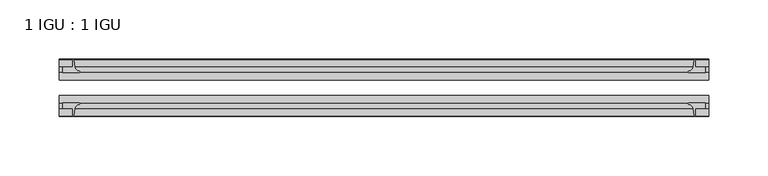
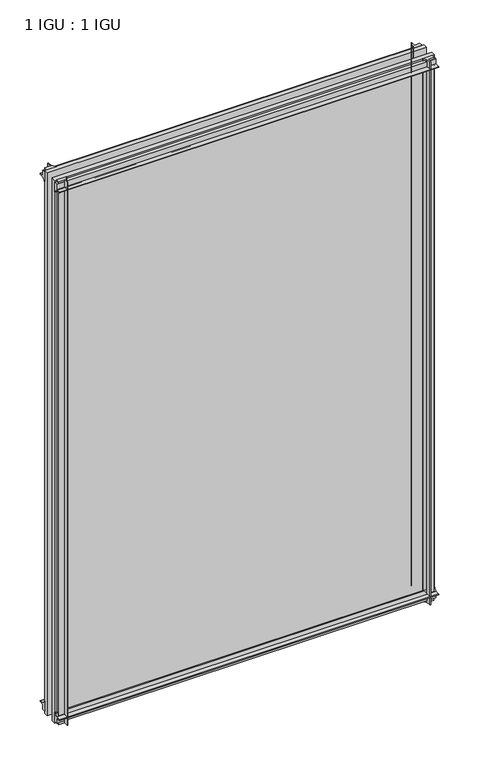
"""IFC4 building model written with IfcOpenShell, lengths in millimetres: plate geometry, 1 IGU : 1 IGU."""

from ifc_helpers import new_model, si_unit, point, frame, frame_2d, origin, place, context, project, spatial, polyline, circle_curve, trimmed, segment, composite_curve, outline, extrude, source, transform, mapped, element, save


def plate_1_igu_1_igu_ee33b061(model_context):
    return source(origin(), model_context, "Body", "SweptSolid", [
        extrude(outline(composite_curve([segment(polyline([(-42.3267187, -8.2068385), (-47.0892187, -8.2068385), (-47.0892187, 0.0), (-53.563779, 0.0)]), True, "CONTINUOUS"), segment(trimmed(circle_curve(frame_2d((-53.0328134, 0.3482823)), 0.635), [point((-53.563779, 0.0))], [point((-53.0575397, 0.9828007))], False, "CARTESIAN"), True, "CONTINUOUS"), segment(trimmed(circle_curve(frame_2d((-54.2310045, 31.0958559)), 30.1359106), [point((-53.0575397, 0.9828007))], [point((-47.0834032, 1.8198434))], True, "CARTESIAN"), True, "CONTINUOUS"), segment(trimmed(circle_curve(frame_2d((-48.2159797, 6.4587878)), 4.7752), [point((-47.0834032, 1.8198434))], [point((-43.578416, 5.3205707))], True, "CARTESIAN"), True, "CONTINUOUS"), segment(trimmed(circle_curve(frame_2d((-42.9617187, 5.169212)), 0.635), [point((-43.578416, 5.3205707))], [point((-42.3267187, 5.169212))], False, "CARTESIAN"), True, "CONTINUOUS"), segment(polyline([(-42.3267187, 5.169212), (-42.3267187, -8.2068385)]), True, "CONTINUOUS")], self_intersect=False)), frame((-273.05, 0.0, 0.0), z_axis=(1.0, 0.0, 0.0), x_axis=(0.0, 1.0, 0.0)), (0.0, 0.0, 1.0), 546.1),
        extrude(outline(composite_curve([segment(polyline([(-16.9267187, -8.2068385), (-16.9267187, 5.169212)]), True, "CONTINUOUS"), segment(trimmed(circle_curve(frame_2d((-16.2917187, 5.169212)), 0.635), [point((-16.9267187, 5.169212))], [point((-15.6750215, 5.3205707))], False, "CARTESIAN"), True, "CONTINUOUS"), segment(trimmed(circle_curve(frame_2d((-11.0374578, 6.4587878)), 4.7752), [point((-15.6750215, 5.3205707))], [point((-12.1700343, 1.8198434))], True, "CARTESIAN"), True, "CONTINUOUS"), segment(trimmed(circle_curve(frame_2d((-5.022433, 31.0958559)), 30.1359106), [point((-12.1700343, 1.8198434))], [point((-6.1958978, 0.9828007))], True, "CARTESIAN"), True, "CONTINUOUS"), segment(trimmed(circle_curve(frame_2d((-6.2206241, 0.3482823)), 0.635), [point((-6.1958978, 0.9828007))], [point((-5.6896585, 0.0))], False, "CARTESIAN"), True, "CONTINUOUS"), segment(polyline([(-5.6896585, 0.0), (-12.1642187, 0.0), (-12.1642187, -8.2068385), (-16.9267187, -8.2068385)]), True, "CONTINUOUS")], self_intersect=False)), frame((-273.05, 0.0, 0.0), z_axis=(1.0, 0.0, 0.0), x_axis=(0.0, 1.0, 0.0)), (0.0, 0.0, 1.0), 546.1),
        extrude(outline(composite_curve([segment(polyline([(-47.0892188, 803.275), (-47.0892188, 811.4818385), (-42.3267188, 811.4818385), (-42.3267188, 798.105788)]), True, "CONTINUOUS"), segment(trimmed(circle_curve(frame_2d((-42.9617187, 798.105788)), 0.635), [point((-42.3267188, 798.105788))], [point((-43.578416, 797.9544293))], False, "CARTESIAN"), True, "CONTINUOUS"), segment(trimmed(circle_curve(frame_2d((-48.2159797, 796.8162122)), 4.7752), [point((-43.578416, 797.9544293))], [point((-47.0834032, 801.4551566))], True, "CARTESIAN"), True, "CONTINUOUS"), segment(trimmed(circle_curve(frame_2d((-54.2310045, 772.1791441)), 30.1359106), [point((-47.0834032, 801.4551566))], [point((-53.0575397, 802.2921993))], True, "CARTESIAN"), True, "CONTINUOUS"), segment(trimmed(circle_curve(frame_2d((-53.0328134, 802.9267177)), 0.635), [point((-53.0575397, 802.2921993))], [point((-53.563779, 803.275))], False, "CARTESIAN"), True, "CONTINUOUS"), segment(polyline([(-53.563779, 803.275), (-47.0892188, 803.275)]), True, "CONTINUOUS")], self_intersect=False)), frame((-273.05, 0.0, 0.0), z_axis=(1.0, 0.0, 0.0), x_axis=(0.0, 1.0, 0.0)), (0.0, 0.0, 1.0), 546.1),
        extrude(outline(composite_curve([segment(polyline([(-12.1642187, 803.275), (-5.6896585, 803.275)]), True, "CONTINUOUS"), segment(trimmed(circle_curve(frame_2d((-6.2206241, 802.9267177)), 0.635), [point((-5.6896585, 803.275))], [point((-6.1958978, 802.2921993))], False, "CARTESIAN"), True, "CONTINUOUS"), segment(trimmed(circle_curve(frame_2d((-5.022433, 772.1791441)), 30.1359106), [point((-6.1958978, 802.2921993))], [point((-12.1700343, 801.4551566))], True, "CARTESIAN"), True, "CONTINUOUS"), segment(trimmed(circle_curve(frame_2d((-11.0374578, 796.8162122)), 4.7752), [point((-12.1700343, 801.4551566))], [point((-15.6750215, 797.9544293))], True, "CARTESIAN"), True, "CONTINUOUS"), segment(trimmed(circle_curve(frame_2d((-16.2917188, 798.105788)), 0.635), [point((-15.6750215, 797.9544293))], [point((-16.9267188, 798.105788))], False, "CARTESIAN"), True, "CONTINUOUS"), segment(polyline([(-16.9267188, 798.105788), (-16.9267187, 811.4818385), (-12.1642187, 811.4818385), (-12.1642187, 803.275)]), True, "CONTINUOUS")], self_intersect=False)), frame((-273.05, 0.0, 0.0), z_axis=(1.0, 0.0, 0.0), x_axis=(0.0, 1.0, 0.0)), (0.0, 0.0, 1.0), 546.1),
        extrude(outline(composite_curve([segment(polyline([(261.9375, -5.6896585), (261.9375, -12.1642188), (270.1443385, -12.1642188), (270.1443385, -16.9267187), (256.768288, -16.9267187)]), True, "CONTINUOUS"), segment(trimmed(circle_curve(frame_2d((256.768288, -16.2917188)), 0.635), [point((256.768288, -16.9267187))], [point((256.6169293, -15.6750215))], False, "CARTESIAN"), True, "CONTINUOUS"), segment(trimmed(circle_curve(frame_2d((255.4787122, -11.0374578)), 4.7752), [point((256.6169293, -15.6750215))], [point((260.1176566, -12.1700343))], True, "CARTESIAN"), True, "CONTINUOUS"), segment(trimmed(circle_curve(frame_2d((230.8416441, -5.022433)), 30.1359106), [point((260.1176566, -12.1700343))], [point((260.9546993, -6.1958978))], True, "CARTESIAN"), True, "CONTINUOUS"), segment(trimmed(circle_curve(frame_2d((261.5892177, -6.2206241)), 0.635), [point((260.9546993, -6.1958978))], [point((261.9375, -5.6896585))], False, "CARTESIAN"), True, "CONTINUOUS")], self_intersect=False)), frame((0.0, 0.0, -11.1125), z_axis=(0.0, 0.0, 1.0), x_axis=(1.0, 0.0, 0.0)), (0.0, 0.0, 1.0), 825.5),
        extrude(outline(composite_curve([segment(trimmed(circle_curve(frame_2d((261.5892177, -53.0328134)), 0.635), [point((261.9375, -53.563779))], [point((260.9546993, -53.0575397))], False, "CARTESIAN"), True, "CONTINUOUS"), segment(trimmed(circle_curve(frame_2d((230.8416441, -54.2310045)), 30.1359106), [point((260.9546993, -53.0575397))], [point((260.1176566, -47.0834032))], True, "CARTESIAN"), True, "CONTINUOUS"), segment(trimmed(circle_curve(frame_2d((255.4787122, -48.2159797)), 4.7752), [point((260.1176566, -47.0834032))], [point((256.6169293, -43.578416))], True, "CARTESIAN"), True, "CONTINUOUS"), segment(trimmed(circle_curve(frame_2d((256.768288, -42.9617187)), 0.635), [point((256.6169293, -43.578416))], [point((256.768288, -42.3267187))], False, "CARTESIAN"), True, "CONTINUOUS"), segment(polyline([(256.768288, -42.3267187), (270.1443385, -42.3267187), (270.1443385, -47.0892188), (261.9375, -47.0892188), (261.9375, -53.563779)]), True, "CONTINUOUS")], self_intersect=False)), frame((0.0, 0.0, -11.1125), z_axis=(0.0, 0.0, 1.0), x_axis=(1.0, 0.0, 0.0)), (0.0, 0.0, 1.0), 825.5),
        extrude(outline(composite_curve([segment(trimmed(circle_curve(frame_2d((-261.5892177, -6.2206241)), 0.635), [point((-261.9375, -5.6896585))], [point((-260.9546993, -6.1958978))], False, "CARTESIAN"), True, "CONTINUOUS"), segment(trimmed(circle_curve(frame_2d((-230.8416441, -5.022433)), 30.1359106), [point((-260.9546993, -6.1958978))], [point((-260.1176566, -12.1700343))], True, "CARTESIAN"), True, "CONTINUOUS"), segment(trimmed(circle_curve(frame_2d((-255.4787122, -11.0374578)), 4.7752), [point((-260.1176566, -12.1700343))], [point((-256.6169293, -15.6750215))], True, "CARTESIAN"), True, "CONTINUOUS"), segment(trimmed(circle_curve(frame_2d((-256.768288, -16.2917187)), 0.635), [point((-256.6169293, -15.6750215))], [point((-256.768288, -16.9267187))], False, "CARTESIAN"), True, "CONTINUOUS"), segment(polyline([(-256.768288, -16.9267187), (-270.1443385, -16.9267187), (-270.1443385, -12.1642187), (-261.9375, -12.1642187), (-261.9375, -5.6896585)]), True, "CONTINUOUS")], self_intersect=False)), frame((0.0, 0.0, -11.1125), z_axis=(0.0, 0.0, 1.0), x_axis=(1.0, 0.0, 0.0)), (0.0, 0.0, 1.0), 825.5),
        extrude(outline(composite_curve([segment(polyline([(-261.9375, -53.563779), (-261.9375, -47.0892187), (-270.1443385, -47.0892187), (-270.1443385, -42.3267188), (-256.768288, -42.3267188)]), True, "CONTINUOUS"), segment(trimmed(circle_curve(frame_2d((-256.768288, -42.9617187)), 0.635), [point((-256.768288, -42.3267188))], [point((-256.6169293, -43.578416))], False, "CARTESIAN"), True, "CONTINUOUS"), segment(trimmed(circle_curve(frame_2d((-255.4787122, -48.2159797)), 4.7752), [point((-256.6169293, -43.578416))], [point((-260.1176566, -47.0834032))], True, "CARTESIAN"), True, "CONTINUOUS"), segment(trimmed(circle_curve(frame_2d((-230.8416441, -54.2310045)), 30.1359106), [point((-260.1176566, -47.0834032))], [point((-260.9546993, -53.0575397))], True, "CARTESIAN"), True, "CONTINUOUS"), segment(trimmed(circle_curve(frame_2d((-261.5892177, -53.0328134)), 0.635), [point((-260.9546993, -53.0575397))], [point((-261.9375, -53.563779))], False, "CARTESIAN"), True, "CONTINUOUS")], self_intersect=False)), frame((0.0, 0.0, -11.1125), z_axis=(0.0, 0.0, 1.0), x_axis=(1.0, 0.0, 0.0)), (0.0, 0.0, 1.0), 825.5),
        extrude(outline(polyline([(273.05, -16.9267187), (273.05, -23.2259187), (-273.05, -23.2259187), (-273.05, -16.9267187), (273.05, -16.9267187)])), frame((0.0, 0.0, -11.1125), z_axis=(0.0, 0.0, 1.0), x_axis=(1.0, 0.0, 0.0)), (0.0, 0.0, 1.0), 825.5),
        extrude(outline(polyline([(273.05, -36.0275187), (273.05, -42.3267187), (-273.05, -42.3267187), (-273.05, -36.0275187), (273.05, -36.0275187)])), frame((0.0, 0.0, -11.1125), z_axis=(0.0, 0.0, 1.0), x_axis=(1.0, 0.0, 0.0)), (0.0, 0.0, 1.0), 825.5),
    ])


if __name__ == "__main__":
    model = new_model("IFC4")
    model_context = context("Model", 3, world=origin())
    ifc_project = project(units=[si_unit("LENGTHUNIT", "METRE", prefix="MILLI")], contexts=[model_context])
    site = spatial("IfcSite", under=ifc_project)
    building = spatial("IfcBuilding", under=site)
    placement = place(None, origin())
    plate_1_igu_1_igu_shape = plate_1_igu_1_igu_ee33b061(model_context)
    element("IfcPlate", 1, ObjectType="1 IGU : 1 IGU", at=placement, inside=building, context=model_context, shape_type="MappedRepresentation", body=[
        mapped(plate_1_igu_1_igu_shape, transform((0.0, 0.0, 0.0), x_axis=(1.0, 0.0, 0.0), y_axis=(0.0, 1.0, 0.0), z_axis=(0.0, 0.0, 1.0))),
    ])
    save(model, "model.ifc")
